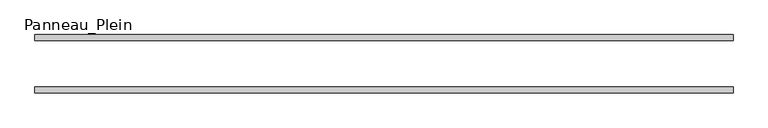
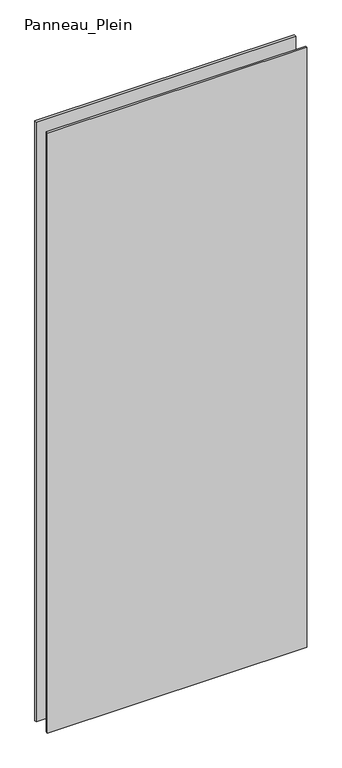
"""IFC4 building model written with IfcOpenShell, lengths in millimetres: plate geometry, Panneau_Plein."""

from ifc_helpers import new_model, si_unit, origin, origin_with_axes, place, context, project, spatial, polyline, outline, extrude, source, transform, mapped, element, save


def panneau_plein_7f4eb394(model_context):
    return source(origin(), model_context, "Body", "SweptSolid", [
        extrude(outline(polyline([(599.3000002, 50.0), (599.3000002, 40.0), (-599.3000002, 40.0), (-599.3000002, 50.0), (599.3000002, 50.0)])), origin_with_axes(), (0.0, 0.0, 1.0), 2930.3804804),
        extrude(outline(polyline([(599.3000002, -40.0), (599.3000002, -50.0), (-599.3000002, -50.0), (-599.3000002, -40.0), (599.3000002, -40.0)])), origin_with_axes(), (0.0, 0.0, 1.0), 2930.3804804),
    ])


if __name__ == "__main__":
    model = new_model("IFC4")
    model_context = context("Model", 3, world=origin())
    ifc_project = project(units=[si_unit("LENGTHUNIT", "METRE", prefix="MILLI")], contexts=[model_context])
    site = spatial("IfcSite", under=ifc_project)
    building = spatial("IfcBuilding", under=site)
    placement = place(None, origin())
    panneau_plein_shape = panneau_plein_7f4eb394(model_context)
    element("IfcPlate", 1, ObjectType="Panneau_Plein", at=placement, inside=building, context=model_context, shape_type="MappedRepresentation", body=[
        mapped(panneau_plein_shape, transform((0.0, 0.0, 0.0), x_axis=(1.0, 0.0, 0.0), y_axis=(0.0, 1.0, 0.0), z_axis=(0.0, 0.0, 1.0))),
    ])
    save(model, "model.ifc")
